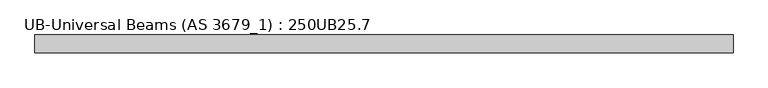
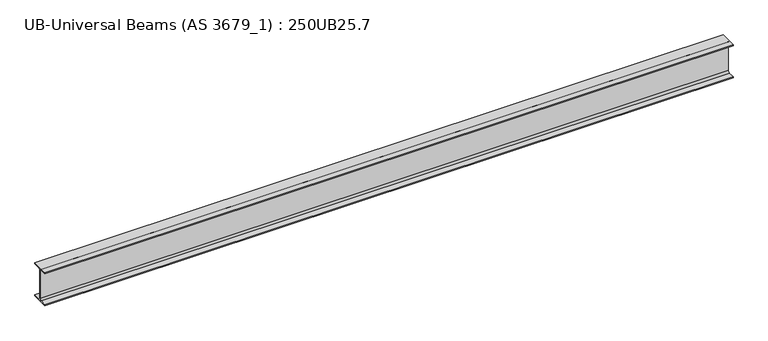
"""IFC4 building model written with IfcOpenShell, lengths in millimetres: beam geometry, UB-Universal Beams (AS 3679_1) : 250UB25.7."""

from ifc_helpers import new_model, si_unit, point, frame, frame_2d, origin, place, context, project, spatial, polyline, circle_curve, trimmed, segment, composite_curve, outline, extrude, source, transform, mapped, element, save


def ub_universal_beams_as_3679_1_250ub25_7_a73ec064(model_context):
    return source(origin(), model_context, "Body", "SweptSolid", [
        extrude(outline(composite_curve([segment(polyline([(62.0, -116.0), (62.0, -124.0), (-62.0, -124.0), (-62.0, -116.0), (-14.5, -116.0)]), True, "CONTINUOUS"), segment(trimmed(circle_curve(frame_2d((-14.5, -104.0)), 12.0), [point((-14.5, -116.0))], [point((-2.5, -104.0))], True, "CARTESIAN"), True, "CONTINUOUS"), segment(polyline([(-2.5, -104.0), (-2.5, 104.0)]), True, "CONTINUOUS"), segment(trimmed(circle_curve(frame_2d((-14.5, 104.0)), 12.0), [point((-2.5, 104.0))], [point((-14.5, 116.0))], True, "CARTESIAN"), True, "CONTINUOUS"), segment(polyline([(-14.5, 116.0), (-62.0, 116.0), (-62.0, 124.0), (62.0, 124.0), (62.0, 116.0), (14.5, 116.0)]), True, "CONTINUOUS"), segment(trimmed(circle_curve(frame_2d((14.5, 104.0)), 12.0), [point((14.5, 116.0))], [point((2.5, 104.0))], True, "CARTESIAN"), True, "CONTINUOUS"), segment(polyline([(2.5, 104.0), (2.5, -104.0)]), True, "CONTINUOUS"), segment(trimmed(circle_curve(frame_2d((14.5, -104.0)), 12.0), [point((2.5, -104.0))], [point((14.5, -116.0))], True, "CARTESIAN"), True, "CONTINUOUS"), segment(polyline([(14.5, -116.0), (62.0, -116.0)]), True, "CONTINUOUS")], self_intersect=False)), frame((-2442.5, 0.0, 0.0), z_axis=(1.0, 0.0, 0.0), x_axis=(0.0, 1.0, 0.0)), (0.0, 0.0, 1.0), 4885.0),
    ])


if __name__ == "__main__":
    model = new_model("IFC4")
    model_context = context("Model", 3, world=origin())
    ifc_project = project(units=[si_unit("LENGTHUNIT", "METRE", prefix="MILLI")], contexts=[model_context])
    site = spatial("IfcSite", under=ifc_project)
    building = spatial("IfcBuilding", under=site)
    placement = place(None, origin())
    ub_universal_beams_as_3679_1_250ub25_7_shape = ub_universal_beams_as_3679_1_250ub25_7_a73ec064(model_context)
    element("IfcBeam", 1, ObjectType="UB-Universal Beams (AS 3679_1) : 250UB25.7", at=placement, inside=building, context=model_context, shape_type="MappedRepresentation", body=[
        mapped(ub_universal_beams_as_3679_1_250ub25_7_shape, transform((0.0, 0.0, 0.0), x_axis=(1.0, 0.0, 0.0), y_axis=(0.0, 1.0, 0.0), z_axis=(0.0, 0.0, 1.0))),
    ])
    save(model, "model.ifc")
